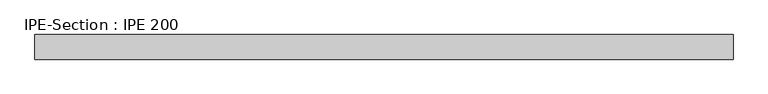
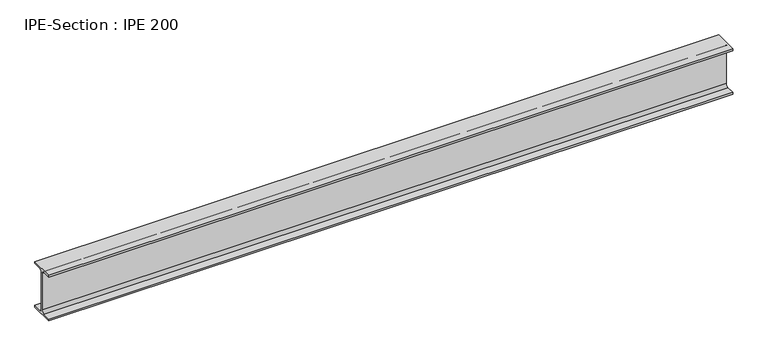
"""IFC4 building model written with IfcOpenShell, lengths in millimetres: beam geometry, IPE-Section : IPE 200."""

from ifc_helpers import new_model, si_unit, point, frame, frame_2d, origin, place, context, project, spatial, polyline, circle_curve, trimmed, segment, composite_curve, outline, extrude, source, transform, mapped, element, save


def ipe_section_ipe_200_4ec1abcc(model_context):
    return source(origin(), model_context, "Body", "SweptSolid", [
        extrude(outline(composite_curve([segment(polyline([(50.0, -91.5), (50.0, -100.0), (-50.0, -100.0), (-50.0, -91.5), (-14.8, -91.5)]), True, "CONTINUOUS"), segment(trimmed(circle_curve(frame_2d((-14.8, -79.5)), 12.0), [point((-14.8, -91.5))], [point((-2.8, -79.5))], True, "CARTESIAN"), True, "CONTINUOUS"), segment(polyline([(-2.8, -79.5), (-2.8, 79.5)]), True, "CONTINUOUS"), segment(trimmed(circle_curve(frame_2d((-14.8, 79.5)), 12.0), [point((-2.8, 79.5))], [point((-14.8, 91.5))], True, "CARTESIAN"), True, "CONTINUOUS"), segment(polyline([(-14.8, 91.5), (-50.0, 91.5), (-50.0, 100.0), (50.0, 100.0), (50.0, 91.5), (14.8, 91.5)]), True, "CONTINUOUS"), segment(trimmed(circle_curve(frame_2d((14.8, 79.5)), 12.0), [point((14.8, 91.5))], [point((2.8, 79.5))], True, "CARTESIAN"), True, "CONTINUOUS"), segment(polyline([(2.8, 79.5), (2.8, -79.5)]), True, "CONTINUOUS"), segment(trimmed(circle_curve(frame_2d((14.8, -79.5)), 12.0), [point((2.8, -79.5))], [point((14.8, -91.5))], True, "CARTESIAN"), True, "CONTINUOUS"), segment(polyline([(14.8, -91.5), (50.0, -91.5)]), True, "CONTINUOUS")], self_intersect=False)), frame((-1367.3, 0.0, 0.0), z_axis=(1.0, 0.0, 0.0), x_axis=(0.0, 1.0, 0.0)), (0.0, 0.0, 1.0), 2837.3),
    ])


if __name__ == "__main__":
    model = new_model("IFC4")
    model_context = context("Model", 3, world=origin())
    ifc_project = project(units=[si_unit("LENGTHUNIT", "METRE", prefix="MILLI")], contexts=[model_context])
    site = spatial("IfcSite", under=ifc_project)
    building = spatial("IfcBuilding", under=site)
    placement = place(None, origin())
    ipe_section_ipe_200_shape = ipe_section_ipe_200_4ec1abcc(model_context)
    element("IfcBeam", 1, ObjectType="IPE-Section : IPE 200", at=placement, inside=building, context=model_context, shape_type="MappedRepresentation", body=[
        mapped(ipe_section_ipe_200_shape, transform((0.0, 0.0, 0.0), x_axis=(1.0, 0.0, 0.0), y_axis=(0.0, 1.0, 0.0), z_axis=(0.0, 0.0, 1.0))),
    ])
    save(model, "model.ifc")
